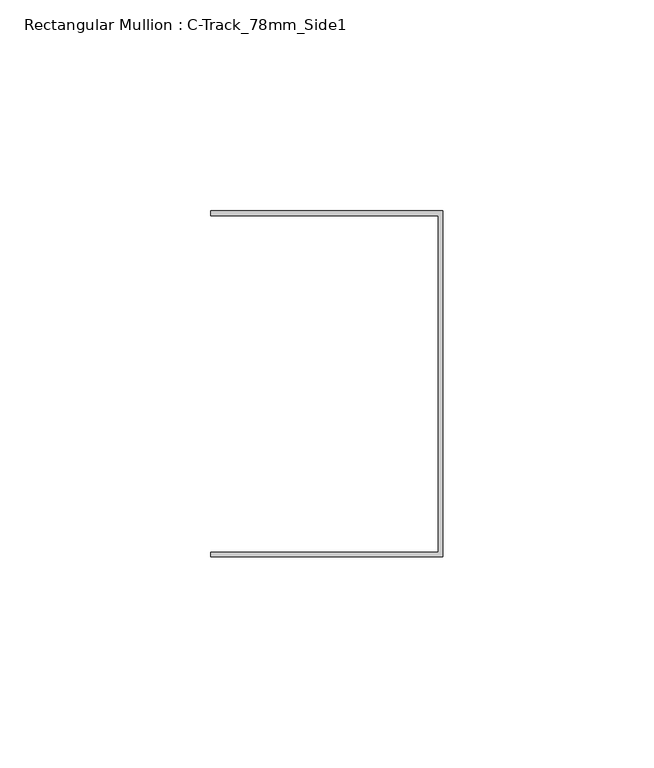
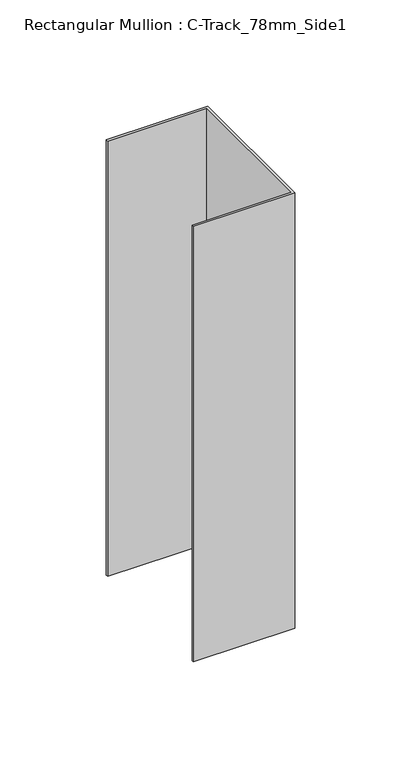
"""IFC4 building model written with IfcOpenShell, lengths in millimetres: member geometry, Rectangular Mullion : C-Track_78mm_Side1."""

from ifc_helpers import new_model, si_unit, frame, origin, place, context, project, spatial, polyline, outline, extrude, source, transform, mapped, element, save


def rectangular_mullion_c_track_78mm_side1_a390a4f0(model_context):
    return source(origin(), model_context, "Body", "SweptSolid", [
        extrude(outline(polyline([(-1.15, 39.85), (-55.0, 39.85), (-55.0, 41.0), (0.0, 41.0), (0.0, -41.0), (-55.0, -41.0), (-55.0, -39.85), (-1.15, -39.85), (-1.15, 39.85)])), frame((0.0, 0.0, -250.0000003), z_axis=(0.0, 0.0, 1.0), x_axis=(1.0, 0.0, 0.0)), (0.0, 0.0, 1.0), 250.0000003),
    ])


if __name__ == "__main__":
    model = new_model("IFC4")
    model_context = context("Model", 3, world=origin())
    ifc_project = project(units=[si_unit("LENGTHUNIT", "METRE", prefix="MILLI")], contexts=[model_context])
    site = spatial("IfcSite", under=ifc_project)
    building = spatial("IfcBuilding", under=site)
    placement = place(None, origin())
    rectangular_mullion_c_track_78mm_side1_shape = rectangular_mullion_c_track_78mm_side1_a390a4f0(model_context)
    element("IfcMember", 1, ObjectType="Rectangular Mullion : C-Track_78mm_Side1", at=placement, inside=building, context=model_context, shape_type="MappedRepresentation", body=[
        mapped(rectangular_mullion_c_track_78mm_side1_shape, transform((0.0, 0.0, 0.0), x_axis=(1.0, 0.0, 0.0), y_axis=(0.0, 1.0, 0.0), z_axis=(0.0, 0.0, 1.0))),
    ])
    save(model, "model.ifc")
